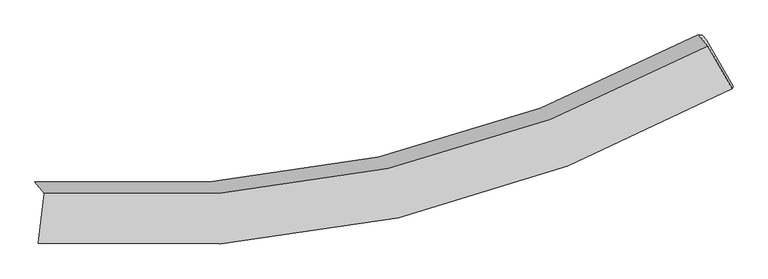
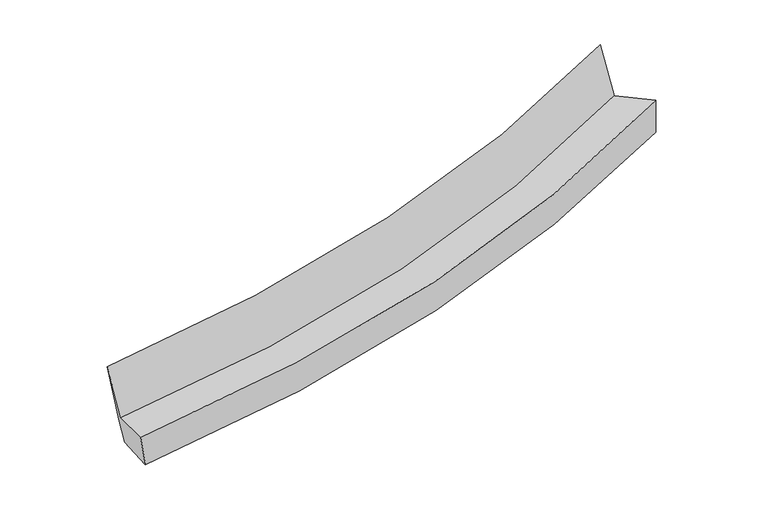
"""IFC4 building model written with IfcOpenShell, lengths in millimetres: proxy geometry."""

import ifcopenshell
import ifcopenshell.guid

model = None  # the IFC model being written
_history = None  # IfcOwnerHistory: only IFC2X3 demands one
_inside = {}  # id of a spatial element -> (the spatial element, [elements in it])
_under = {}  # id of a project, library or spatial element -> (it, [spatial elements below it])
_declared = {}  # id of a project -> (the project, [libraries it declares])
_typed = {}  # id of a type object -> (the type object, [elements of that type])
_made_of = {}  # id of a material, layer set ... -> (it, [elements and type objects made of it])


def new_model(schema):
    """Start an empty IFC model of exactly this schema.

    Asked for "IFC4X3", IfcOpenShell would pick the latest addendum, in which some entities
    have other attributes; the version numbers below select the first issue.
    IFC2X3 requires an IfcOwnerHistory on every rooted entity: one is made here for all.
    """
    global model, _history
    if schema == "IFC4X3":
        model = ifcopenshell.file(schema_version=(4, 3, 0, 0))
    else:
        model = ifcopenshell.file(schema=schema)
    _inside.clear()
    _under.clear()
    _declared.clear()
    _typed.clear()
    _made_of.clear()
    _history = None
    if model.schema == "IFC2X3":
        org = make("IfcOrganization", Name="unknown")
        user = make(
            "IfcPersonAndOrganization",
            ThePerson=make("IfcPerson", FamilyName="unknown"),
            TheOrganization=org,
        )
        app = make(
            "IfcApplication",
            ApplicationDeveloper=org,
            Version="unknown",
            ApplicationFullName="unknown",
            ApplicationIdentifier="unknown",
        )
        _history = make(
            "IfcOwnerHistory",
            OwningUser=user,
            OwningApplication=app,
            ChangeAction="ADDED",
            CreationDate=0,
        )
    return model


def make(cls, **values):
    """One entity of the class cls with the attributes given. An attribute that is None is left unset."""
    return model.create_entity(
        cls, **{name: value for name, value in values.items() if value is not None}
    )


def rooted(cls, **values):
    """An entity with a GlobalId (a new one), such as an element, a storey or a relation."""
    return make(cls, GlobalId=ifcopenshell.guid.new(), OwnerHistory=_history, **values)


def si_unit(unit_type, name, prefix=None):
    """IfcSIUnit, for example si_unit("LENGTHUNIT", "METRE", prefix="MILLI")."""
    return make("IfcSIUnit", UnitType=unit_type, Prefix=prefix, Name=name)


def assignment(units):
    """IfcUnitAssignment: the units of a project."""
    return None if units is None else make("IfcUnitAssignment", Units=units)


def point(xyz):
    """IfcCartesianPoint."""
    return None if xyz is None else make("IfcCartesianPoint", Coordinates=xyz)


def direction(xyz):
    """IfcDirection."""
    return None if xyz is None else make("IfcDirection", DirectionRatios=xyz)


def frame(location, z_axis=None, x_axis=None):
    """IfcAxis2Placement3D, a coordinate frame: its origin and axes. An axis left out is left unset."""
    return make(
        "IfcAxis2Placement3D",
        Location=point(location),
        Axis=direction(z_axis),
        RefDirection=direction(x_axis),
    )


def origin():
    """The frame at (0, 0, 0) with its axes left unset."""
    return frame((0.0, 0.0, 0.0))


def place(relative_to, where):
    """IfcLocalPlacement: puts the frame where relative to a parent placement (None: the world)."""
    return make(
        "IfcLocalPlacement", PlacementRelTo=relative_to, RelativePlacement=where
    )


def context(
    kind, dimensions, precision=None, world=None, true_north=None, identifier=None
):
    """IfcGeometricRepresentationContext, for example the 3D "Model" context."""
    return make(
        "IfcGeometricRepresentationContext",
        ContextIdentifier=identifier,
        ContextType=kind,
        CoordinateSpaceDimension=dimensions,
        Precision=precision,
        WorldCoordinateSystem=world,
        TrueNorth=true_north,
    )


def project(units=None, contexts=None):
    """IfcProject with its units and contexts."""
    return rooted(
        "IfcProject",
        Name="project",
        RepresentationContexts=contexts,
        UnitsInContext=assignment(units),
    )


def spatial(cls, under=None, at=None, **own):
    """A site, building, storey or space (cls), placed at a placement, below another one or the project."""
    s = rooted(cls, ObjectPlacement=at, **own)
    if under is not None:
        _under.setdefault(under.id(), (under, []))[1].append(s)
    return s


def shape(context_of_items, identifier, shape_type, items):
    """IfcShapeRepresentation: the items that make up one representation, for example the "Body"."""
    return make(
        "IfcShapeRepresentation",
        ContextOfItems=context_of_items,
        RepresentationIdentifier=identifier,
        RepresentationType=shape_type,
        Items=items,
    )


def source(mapping_origin, context_of_items, identifier, shape_type, items):
    """IfcRepresentationMap: a shape defined once, which mapped items show again and again."""
    return make(
        "IfcRepresentationMap",
        MappingOrigin=mapping_origin,
        MappedRepresentation=shape(context_of_items, identifier, shape_type, items),
    )


def transform(
    local_origin,
    x_axis=None,
    y_axis=None,
    z_axis=None,
    scale=None,
    scale2=None,
    scale3=None,
    uniform=True,
):
    """IfcCartesianTransformationOperator3D, or its non-uniform kind. x_axis, y_axis, z_axis: its Axis1, 2, 3."""
    if uniform:
        return make(
            "IfcCartesianTransformationOperator3D",
            Axis1=direction(x_axis),
            Axis2=direction(y_axis),
            LocalOrigin=point(local_origin),
            Scale=scale,
            Axis3=direction(z_axis),
        )
    return make(
        "IfcCartesianTransformationOperator3DnonUniform",
        Axis1=direction(x_axis),
        Axis2=direction(y_axis),
        LocalOrigin=point(local_origin),
        Scale=scale,
        Axis3=direction(z_axis),
        Scale2=scale2,
        Scale3=scale3,
    )


def mapped(mapping_source, mapping_target):
    """IfcMappedItem: shows the shape of a source again, moved by a transform."""
    return make(
        "IfcMappedItem", MappingSource=mapping_source, MappingTarget=mapping_target
    )


def made_of(thing, what):
    """Note that an element or type object is made of a material, layer set ...; save() writes the relation."""
    if what is not None:
        _made_of.setdefault(what.id(), (what, []))[1].append(thing)
    return thing


def element(
    cls,
    number,
    at=None,
    inside=None,
    cuts=None,
    type_object=None,
    material=None,
    context=None,
    identifier="Body",
    shape_type=None,
    held_by="IfcProductDefinitionShape",
    body=None,
    shapes=None,
    **own,
):
    """One element of the class cls, such as IfcWall. Its Tag is "e" and its number.

    at: its placement. inside: the storey or other place that contains it. cuts: it is an
    opening in that element (IfcRelVoidsElement). A single representation is given by context,
    identifier, shape_type and body (its items); several are given by shapes. held_by: the class
    of the entity that holds the representations. save() writes the other relations.
    """
    e = rooted(cls, Tag="e%d" % number, ObjectPlacement=at, **own)
    if body is not None:
        shapes = [shape(context, identifier, shape_type, body)]
    if shapes is not None:
        e.Representation = make(held_by, Representations=shapes)
    if inside is not None:
        _inside.setdefault(inside.id(), (inside, []))[1].append(e)
    if cuts is not None:
        rooted(
            "IfcRelVoidsElement", RelatingBuildingElement=cuts, RelatedOpeningElement=e
        )
    if type_object is not None:
        _typed.setdefault(type_object.id(), (type_object, []))[1].append(e)
    return made_of(e, material)


def aggregate(whole, parts):
    """IfcRelAggregates: a whole, such as a stair, and the parts it consists of."""
    return rooted("IfcRelAggregates", RelatingObject=whole, RelatedObjects=parts)


def save(model, path):
    """Write the relations noted so far, then the file.

    IfcRelAggregates (storeys below a building ...), IfcRelContainedInSpatialStructure (elements
    in a storey), IfcRelDefinesByType, IfcRelAssociatesMaterial and IfcRelDeclares: one each for
    every whole, place, type object, material and project.
    """
    for whole, parts in _under.values():
        aggregate(whole, parts)
    for where, things in _inside.values():
        rooted(
            "IfcRelContainedInSpatialStructure",
            RelatedElements=things,
            RelatingStructure=where,
        )
    for kind, things in _typed.values():
        rooted("IfcRelDefinesByType", RelatedObjects=things, RelatingType=kind)
    for what, things in _made_of.values():
        rooted("IfcRelAssociatesMaterial", RelatedObjects=things, RelatingMaterial=what)
    for by, libraries in _declared.values():
        rooted("IfcRelDeclares", RelatingContext=by, RelatedDefinitions=libraries)
    model.write(path)


def plane_surface(at):
    """IfcPlane: the flat surface through the origin of the frame at, square to its z axis."""
    return make("IfcPlane", Position=at)


def spline_curve(degree, points, multiplicities, knots, weights=None):
    """IfcBSplineCurveWithKnots; with weights, IfcRationalBSplineCurveWithKnots."""
    own = dict(
        Degree=degree,
        ControlPointsList=[point(p) for p in points],
        CurveForm="UNSPECIFIED",
        ClosedCurve=False,
        SelfIntersect=False,
        KnotMultiplicities=multiplicities,
        Knots=knots,
        KnotSpec="UNSPECIFIED",
    )
    if weights is None:
        return make("IfcBSplineCurveWithKnots", **own)
    return make("IfcRationalBSplineCurveWithKnots", WeightsData=weights, **own)


def spline_surface(u_degree, v_degree, points, u_multiplicities, v_multiplicities, u_knots, v_knots, weights=None):
    """IfcBSplineSurfaceWithKnots; with weights, IfcRationalBSplineSurfaceWithKnots. points: one row for each step in u."""
    own = dict(
        UDegree=u_degree,
        VDegree=v_degree,
        ControlPointsList=[[point(p) for p in row] for row in points],
        SurfaceForm="UNSPECIFIED",
        UClosed=False,
        VClosed=False,
        SelfIntersect=False,
        UMultiplicities=u_multiplicities,
        VMultiplicities=v_multiplicities,
        UKnots=u_knots,
        VKnots=v_knots,
        KnotSpec="UNSPECIFIED",
    )
    if weights is None:
        return make("IfcBSplineSurfaceWithKnots", **own)
    return make("IfcRationalBSplineSurfaceWithKnots", WeightsData=weights, **own)


def advanced_brep(points, edges, surfaces, faces):
    """IfcAdvancedBrep: a solid bounded by faces that lie on surfaces and meet in shared edges.

    An edge is (start, end): straight between two places in points (the first is 0);
    or (start, end, curve); or (start, end, curve, False) where it runs against its curve.
    A face is (place in surfaces, loops), or (place, loops, False) where it looks against
    its surface's normal. A loop lists edges by number (the first is 1), with a minus sign
    where the edge is run from its end to its start. The first loop is the outer one.
    """
    corners = [point(p) for p in points]
    vertices = [make("IfcVertexPoint", VertexGeometry=c) for c in corners]
    made = []
    for start, end, *more in edges:
        made.append(
            make(
                "IfcEdgeCurve",
                EdgeStart=vertices[start],
                EdgeEnd=vertices[end],
                EdgeGeometry=more[0] if more else make("IfcPolyline", Points=[corners[start], corners[end]]),
                SameSense=more[1] if len(more) > 1 else True,
            )
        )
    hull = []
    for where, loops, *sense in faces:
        bounds = []
        for j, loop in enumerate(loops):
            ring = [make("IfcOrientedEdge", EdgeElement=made[abs(k) - 1], Orientation=k > 0) for k in loop]
            bounds.append(
                make(
                    "IfcFaceOuterBound" if j == 0 else "IfcFaceBound",
                    Bound=make("IfcEdgeLoop", EdgeList=ring),
                    Orientation=True,
                )
            )
        hull.append(make("IfcAdvancedFace", Bounds=bounds, FaceSurface=surfaces[where], SameSense=sense[0] if sense else True))
    return make("IfcAdvancedBrep", Outer=make("IfcClosedShell", CfsFaces=hull))


def generic_models_6b4f33b7(model_context):
    return source(origin(), model_context, "Body", "AdvancedBrep", [
        advanced_brep(
        [(-4509.2801043, -2269.3648014, 1424.5116755), (-4589.6143379, -2940.9036168, 1537.9410417), (4645.7106978, -874.4011904, 2614.088709), (4323.3146091, -308.1564578, 2456.3178639), (-4634.8510631, -2121.1506334, 2213.054564), (4196.5545899, -158.5388155, 3252.3276476), (-4473.3475492, -2155.370679, 1278.6752174), (4247.0224899, -160.5399385, 2258.9370901), (-4420.9879744, -2217.1718382, 949.8749063), (4301.5559094, -224.9069345, 1916.4857738), (-4496.7923169, -2907.2257499, 1028.1388091), (4658.9983186, -850.4195038, 2064.541723)],
        [
            (0, 1),
            (1, 2, spline_curve(3, [(-4589.6143379, -2940.9036168, 1537.9410417), (-2946.846834404, -3063.843806594, 1812.323769581), (-1350.649676003, -2950.177040922, 2039.502035878), (1726.471209064, -2254.632427598, 2396.87914729), (3208.715729381, -1679.465050841, 2528.416769929), (4645.7106978, -874.4011904, 2614.088709)], [4, 2, 4], [0.0, 15.566067356720671, 30.909810387763883])),
            (2, 3),
            (3, 0, spline_curve(3, [(4323.3146091, -308.1564578, 2456.3178639), (2947.568089323, -1068.042782788, 2371.907841821), (1529.247874843, -1611.810181514, 2244.647874535), (-1413.707674872, -2271.854612813, 1901.963229419), (-2939.585698346, -2381.823328606, 1685.287800885), (-4509.2801043, -2269.3648014, 1424.5116755)], [4, 2, 4], [0.0, 15.343743031043212, 30.909810387763883])),
            (4, 0),
            (3, 5),
            (5, 4, spline_curve(3, [(4196.5545899, -158.5388155, 3252.3276476), (2819.432680368, -916.801737881, 3176.554604478), (1400.517492791, -1459.866876442, 3053.030865801), (-1542.064483024, -2120.352245408, 2708.000304331), (-3066.951180411, -2231.491045863, 2485.09968158), (-4634.8510631, -2121.1506334, 2213.054564)], [4, 2, 4], [0.0, 14.9962590262931, 30.209807482483438])),
            (6, 4),
            (5, 7),
            (7, 6, spline_curve(3, [(4247.0224899, -160.5399385, 2258.9370901), (2894.26620778, -915.256135285, 2189.589780153), (1496.741800893, -1459.18158163, 2074.149131185), (-1408.741471079, -2130.277953753, 1748.740596475), (-2918.007076805, -2251.296087681, 1537.42728784), (-4473.3475492, -2155.370679, 1278.6752174)], [4, 2, 4], [0.0, 14.906886160308934, 30.02976677561077])),
            (8, 6),
            (7, 9),
            (9, 8, spline_curve(3, [(4301.5559094, -224.9069345, 1916.4857738), (2948.335156843, -979.074905988, 1850.055182313), (1550.398286458, -1522.513513309, 1737.204660405), (-1355.811118082, -2192.752814841, 1416.355993921), (-2865.388875839, -2313.402508879, 1207.002893332), (-4420.9879744, -2217.1718382, 949.8749063)], [4, 2, 4], [0.0, 14.817827769247256, 29.850359575191263])),
            (10, 8),
            (9, 11),
            (11, 10, spline_curve(3, [(4658.9983186, -850.4195038, 2064.541723), (3234.107962938, -1646.502104842, 1996.80565176), (1764.49214696, -2216.350119092, 1877.565055384), (-1286.132568674, -2908.555784449, 1533.600787857), (-2868.446964663, -3024.309853059, 1307.373746466), (-4496.7923169, -2907.2257499, 1028.1388091)], [4, 2, 4], [0.0, 15.18530583041265, 30.59064029869561])),
            (1, 10),
            (11, 2),
        ],
        [
            spline_surface(3, 3, [[(-4509.2801043, -2269.3648014, 1424.5116755), (-2939.585698577, -2381.823328751, 1685.287800662), (-1413.707675034, -2271.85461282, 1901.96322955), (1529.247875002, -1611.810181507, 2244.647874405), (2947.568089216, -1068.042782918, 2371.907841623), (4323.3146091, -308.1564578, 2456.3178639)], [(-4536.058182166, -2493.21107319, 1462.321464241), (-2942.006077133, -2609.163488032, 1727.633123659), (-1392.688342019, -2497.962088891, 1947.809498379), (1594.988986312, -1826.084263552, 2295.391631988), (3034.617302539, -1271.850205646, 2424.077484357), (4430.779971987, -496.904702008, 2508.908145593)], [(-4562.836260034, -2717.05734501, 1500.131252959), (-2944.426455693, -2836.503647343, 1769.978446632), (-1371.669008945, -2724.069564884, 1993.655767199), (1660.730097682, -2040.35834552, 2346.13538956), (3121.666515903, -1475.657628349, 2476.247127112), (4538.245334913, -685.652946192, 2561.498427307)], [(-4589.6143379, -2940.9036168, 1537.9410417), (-2946.846834249, -3063.843806624, 1812.32376963), (-1350.649675931, -2950.177040955, 2039.502036028), (1726.471208992, -2254.632427565, 2396.879147143), (3208.715729226, -1679.465051077, 2528.416769847), (4645.7106978, -874.4011904, 2614.088709)]], [4, 4], [4, 2, 4], [0.0, 2.259585490204357], [0.0, 15.566067356720671, 30.909810387763883]),
            spline_surface(3, 3, [[(-4634.8510631, -2121.1506334, 2213.054564), (-3066.951180184, -2231.491045962, 2485.0996817), (-1542.064483219, -2120.352245292, 2708.000304366), (1400.517492984, -1459.866876556, 3053.030865766), (2819.432680354, -916.801737911, 3176.554604344), (4196.5545899, -158.5388155, 3252.3276476)], [(-4592.994076842, -2170.555356079, 1950.206934479), (-3024.496019657, -2281.601806905, 2218.495721333), (-1499.278880488, -2170.853034445, 2439.321279411), (1443.427620325, -1510.51464485, 2783.56986863), (2862.144483322, -967.215419578, 2908.339016785), (4238.807929647, -208.411362931, 2986.991053048)], [(-4551.137090558, -2219.960078721, 1687.359305021), (-2982.040859104, -2331.712567809, 1951.891761029), (-1456.493277764, -2221.353823668, 2170.642254504), (1486.337747661, -1561.162413214, 2514.108871541), (2904.856286248, -1017.629101251, 2640.123429182), (4281.061269353, -258.283910369, 2721.654458452)], [(-4509.2801043, -2269.3648014, 1424.5116755), (-2939.585698577, -2381.823328751, 1685.287800662), (-1413.707675034, -2271.85461282, 1901.96322955), (1529.247875002, -1611.810181507, 2244.647874405), (2947.568089216, -1068.042782918, 2371.907841623), (4323.3146091, -308.1564578, 2456.3178639)]], [4, 4], [4, 2, 4], [0.0, 2.7274439135008133], [0.0, 15.213548456190338, 30.209807482483438]),
            spline_surface(3, 3, [[(-4473.3475492, -2155.370679, 1278.6752174), (-2918.007076816, -2251.296087652, 1537.427287919), (-1408.741470988, -2130.277953832, 1748.740596575), (1496.741800803, -1459.181581552, 2074.149131086), (2894.266207998, -915.256135211, 2189.589780032), (4247.0224899, -160.5399385, 2258.9370901)], [(-4527.182053839, -2143.96399712, 1590.134999611), (-2967.655111278, -2244.694407075, 1853.318085857), (-1453.182475072, -2126.96938433, 2068.493832528), (1464.667031523, -1459.410013232, 2400.443042669), (2869.321698772, -915.771336108, 2518.578054809), (4230.199856555, -159.872897497, 2590.06727594)], [(-4581.016558461, -2132.55731528, 1901.594781789), (-3017.303145722, -2238.092726539, 2169.208883762), (-1497.623479135, -2123.660814794, 2388.247068413), (1432.592262264, -1459.638444877, 2726.736954184), (2844.377189581, -916.286537014, 2847.566329567), (4213.377223245, -159.205856503, 2921.19746176)], [(-4634.8510631, -2121.1506334, 2213.054564), (-3066.951180184, -2231.491045962, 2485.0996817), (-1542.064483219, -2120.352245292, 2708.000304366), (1400.517492984, -1459.866876556, 3053.030865766), (2819.432680354, -916.801737911, 3176.554604344), (4196.5545899, -158.5388155, 3252.3276476)]], [4, 4], [4, 2, 4], [0.0, 3.2012664944279567], [0.0, 15.122880615301836, 30.02976677561077]),
            spline_surface(3, 3, [[(-4420.9879744, -2217.1718382, 949.8749063), (-2865.38887599, -2313.402508847, 1207.002893385), (-1355.811118193, -2192.752814847, 1416.355993879), (1550.398286567, -1522.513513303, 1737.204660446), (2948.33515668, -979.074906077, 1850.055182404), (4301.5559094, -224.9069345, 1916.4857738)], [(-4438.441165982, -2196.571451811, 1059.475010011), (-2882.928276247, -2292.70036846, 1317.144358241), (-1373.454569106, -2171.92786118, 1527.150861441), (1532.512791331, -1501.402869391, 1849.51948399), (2930.312173797, -957.801982467, 1963.233381584), (4283.378102911, -203.451269179, 2030.636212537)], [(-4455.894357618, -2175.971065389, 1169.075113689), (-2900.467676559, -2271.998228039, 1427.285823064), (-1391.098020075, -2151.102907499, 1637.945729012), (1514.627296039, -1480.292225464, 1961.834307543), (2912.289190881, -936.529058821, 2076.411580853), (4265.200296389, -181.995603821, 2144.786651363)], [(-4473.3475492, -2155.370679, 1278.6752174), (-2918.007076816, -2251.296087652, 1537.427287919), (-1408.741470988, -2130.277953832, 1748.740596575), (1496.741800803, -1459.181581552, 2074.149131086), (2894.266207998, -915.256135211, 2189.589780032), (4247.0224899, -160.5399385, 2258.9370901)]], [4, 4], [4, 2, 4], [0.0, 1.130696291955734], [0.0, 15.032531805944007, 29.850359575191263]),
            spline_surface(3, 3, [[(-4496.7923169, -2907.2257499, 1028.1388091), (-2868.446964606, -3024.30985283, 1307.373746432), (-1286.132568829, -2908.555784689, 1533.60078799), (1764.492147113, -2216.350118855, 1877.565055253), (3234.107963142, -1646.502104968, 1996.805651692), (4658.9983186, -850.4195038, 2064.541723)], [(-4471.524202739, -2677.207779314, 1002.050841491), (-2867.42760174, -2787.34073815, 1273.916795407), (-1309.358751949, -2669.954794735, 1494.519189943), (1693.127526933, -1985.071250331, 1830.778256974), (3138.850360982, -1424.026371984, 1947.888828625), (4539.85084886, -641.915314013, 2015.189739963)], [(-4446.256088561, -2447.189808786, 975.962873909), (-2866.408238857, -2550.371623527, 1240.459844409), (-1332.584935074, -2431.353804801, 1455.437591926), (1621.762906748, -1753.792381827, 1783.991458725), (3043.592758841, -1201.550639061, 1898.97200547), (4420.70337914, -433.411124287, 1965.837756837)], [(-4420.9879744, -2217.1718382, 949.8749063), (-2865.38887599, -2313.402508847, 1207.002893385), (-1355.811118193, -2192.752814847, 1416.355993879), (1550.398286567, -1522.513513303, 1737.204660446), (2948.33515668, -979.074906077, 1850.055182404), (4301.5559094, -224.9069345, 1916.4857738)]], [4, 4], [4, 2, 4], [0.0, 2.3960810555788843], [0.0, 15.40533446828296, 30.59064029869561]),
            spline_surface(3, 3, [[(-4589.6143379, -2940.9036168, 1537.9410417), (-2946.84683425, -3063.843806624, 1812.32376963), (-1350.649675931, -2950.177040955, 2039.502036028), (1726.471208992, -2254.632427565, 2396.879147143), (3208.715729226, -1679.465051077, 2528.416769847), (4645.7106978, -874.4011904, 2614.088709)], [(-4558.673664233, -2929.677661185, 1368.006964166), (-2920.713544368, -3050.665822045, 1644.00709523), (-1329.143973559, -2936.303288855, 1870.868286685), (1739.144855037, -2241.871657984, 2223.774449849), (3217.179807205, -1668.477402379, 2351.213063781), (4650.13990474, -866.407294871, 2430.906380319)], [(-4527.732990567, -2918.451705515, 1198.072886634), (-2894.580254488, -3037.487837409, 1475.690420831), (-1307.638271201, -2922.429536789, 1702.234537333), (1751.818501068, -2229.110888437, 2050.669752546), (3225.643885163, -1657.489753667, 2174.009357757), (4654.56911166, -858.413399329, 2247.724051681)], [(-4496.7923169, -2907.2257499, 1028.1388091), (-2868.446964606, -3024.30985283, 1307.373746432), (-1286.132568829, -2908.555784689, 1533.60078799), (1764.492147113, -2216.350118855, 1877.565055253), (3234.107963142, -1646.502104968, 1996.805651692), (4658.9983186, -850.4195038, 2064.541723)]], [4, 4], [4, 2, 4], [0.0, 1.6950063399541295], [0.0, 15.84833273452298, 31.470309652411675]),
            plane_surface(frame((4395.5261025, -429.4938068, 2427.1164679), z_axis=(0.8630414925023278, 0.503313838192145, 0.04283179314067957), x_axis=(-0.15462159798050434, 0.18250327726383003, 0.9709710166765623))),
            plane_surface(frame((-4520.8122243, -2435.1978865, 1405.3660357), z_axis=(-0.9810042907328292, 0.08816854760594815, -0.17279146037011262), x_axis=(0.11714411210859094, 0.9792440252567383, -0.16540373634616115))),
        ],
        [
            (0, [[1, 2, 3, 4]]),
            (1, [[5, -4, 6, 7]]),
            (2, [[8, -7, 9, 10]]),
            (3, [[11, -10, 12, 13]]),
            (4, [[14, -13, 15, 16]]),
            (5, [[17, -16, 18, -2]]),
            (6, [[-12, -9, -6, -3, -18, -15]]),
            (7, [[-1, -5, -8, -11, -14, -17]]),
        ],
    ),
    ])


if __name__ == "__main__":
    model = new_model("IFC4")
    model_context = context("Model", 3, world=origin())
    ifc_project = project(units=[si_unit("LENGTHUNIT", "METRE", prefix="MILLI")], contexts=[model_context])
    site = spatial("IfcSite", under=ifc_project)
    building = spatial("IfcBuilding", under=site)
    placement = place(None, origin())
    generic_models_shape = generic_models_6b4f33b7(model_context)
    element("IfcBuildingElementProxy", 1, Name="Generic Models", at=placement, inside=building, context=model_context, shape_type="MappedRepresentation", body=[
        mapped(generic_models_shape, transform((0.0, 0.0, 0.0), x_axis=(1.0, 0.0, 0.0), y_axis=(0.0, 1.0, 0.0), z_axis=(0.0, 0.0, 1.0))),
    ])
    save(model, "model.ifc")
